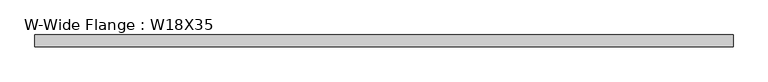
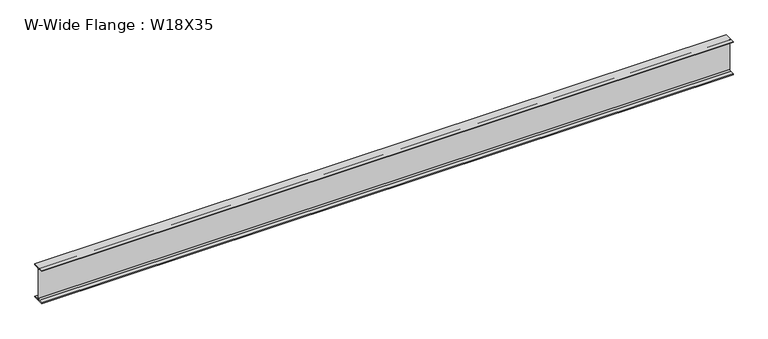
"""IFC4 building model written with IfcOpenShell, lengths in millimetres: beam geometry, W-Wide Flange : W18X35."""

from ifc_helpers import new_model, si_unit, point, frame, frame_2d, origin, place, context, project, spatial, polyline, circle_curve, trimmed, segment, composite_curve, outline, extrude, source, transform, mapped, element, save


def w_wide_flange_w18x35_6023e956(model_context):
    return source(origin(), model_context, "Body", "SweptSolid", [
        extrude(outline(composite_curve([segment(polyline([(76.2, -213.9652344), (76.2, -224.7800781), (-76.2, -224.7800781), (-76.2, -213.9652344), (-21.5800781, -213.9652344)]), True, "CONTINUOUS"), segment(trimmed(circle_curve(frame_2d((-21.5800781, -196.2050781)), 17.7601562), [point((-21.5800781, -213.9652344))], [point((-3.8199219, -196.2050781))], True, "CARTESIAN"), True, "CONTINUOUS"), segment(polyline([(-3.8199219, -196.2050781), (-3.8199219, 196.2050781)]), True, "CONTINUOUS"), segment(trimmed(circle_curve(frame_2d((-21.5800781, 196.2050781)), 17.7601563), [point((-3.8199219, 196.2050781))], [point((-21.5800781, 213.9652344))], True, "CARTESIAN"), True, "CONTINUOUS"), segment(polyline([(-21.5800781, 213.9652344), (-76.2, 213.9652344), (-76.2, 224.7800781), (76.2, 224.7800781), (76.2, 213.9652344), (21.5800781, 213.9652344)]), True, "CONTINUOUS"), segment(trimmed(circle_curve(frame_2d((21.5800781, 196.2050781)), 17.7601562), [point((21.5800781, 213.9652344))], [point((3.8199219, 196.2050781))], True, "CARTESIAN"), True, "CONTINUOUS"), segment(polyline([(3.8199219, 196.2050781), (3.8199219, -196.2050781)]), True, "CONTINUOUS"), segment(trimmed(circle_curve(frame_2d((21.5800781, -196.2050781)), 17.7601563), [point((3.8199219, -196.2050781))], [point((21.5800781, -213.9652344))], True, "CARTESIAN"), True, "CONTINUOUS"), segment(polyline([(21.5800781, -213.9652344), (76.2, -213.9652344)]), True, "CONTINUOUS")], self_intersect=False)), frame((-4456.4101562, 0.0, 0.0), z_axis=(1.0, 0.0, 0.0), x_axis=(0.0, 1.0, 0.0)), (0.0, 0.0, 1.0), 8914.8542969),
    ])


if __name__ == "__main__":
    model = new_model("IFC4")
    model_context = context("Model", 3, world=origin())
    ifc_project = project(units=[si_unit("LENGTHUNIT", "METRE", prefix="MILLI")], contexts=[model_context])
    site = spatial("IfcSite", under=ifc_project)
    building = spatial("IfcBuilding", under=site)
    placement = place(None, origin())
    w_wide_flange_w18x35_shape = w_wide_flange_w18x35_6023e956(model_context)
    element("IfcBeam", 1, ObjectType="W-Wide Flange : W18X35", at=placement, inside=building, context=model_context, shape_type="MappedRepresentation", body=[
        mapped(w_wide_flange_w18x35_shape, transform((0.0, 0.0, 0.0), x_axis=(1.0, 0.0, 0.0), y_axis=(0.0, 1.0, 0.0), z_axis=(0.0, 0.0, 1.0))),
    ])
    save(model, "model.ifc")
